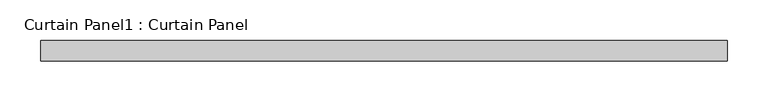
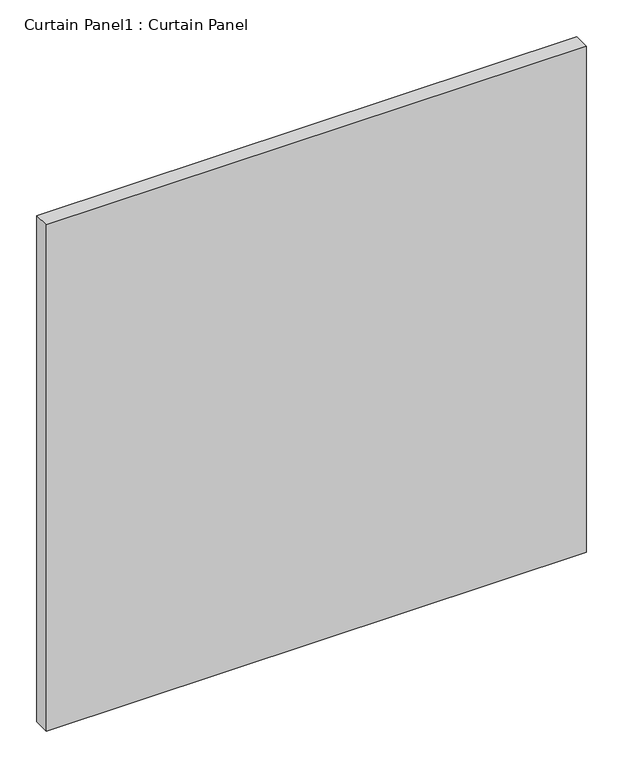
"""IFC4 building model written with IfcOpenShell, lengths in millimetres: plate geometry, Curtain Panel1 : Curtain Panel."""

from ifc_helpers import new_model, si_unit, frame, origin, place, context, project, spatial, polyline, outline, extrude, source, transform, mapped, element, save


def curtain_panel1_curtain_panel_69ac81f1(model_context):
    return source(origin(), model_context, "Body", "SweptSolid", [
        extrude(outline(polyline([(-19224.8572372, 2096.4441321), (-20069.2220141, 2096.4441321), (-20069.2220141, 2121.8441321), (-19224.8572372, 2121.8441321), (-19224.8572372, 2096.4441321)])), frame((0.0, 0.0, 1158.2280374), z_axis=(0.0, 0.0, 1.0), x_axis=(1.0, 0.0, 0.0)), (0.0, 0.0, 1.0), 837.0456924),
    ])


if __name__ == "__main__":
    model = new_model("IFC4")
    model_context = context("Model", 3, world=origin())
    ifc_project = project(units=[si_unit("LENGTHUNIT", "METRE", prefix="MILLI")], contexts=[model_context])
    site = spatial("IfcSite", under=ifc_project)
    building = spatial("IfcBuilding", under=site)
    placement = place(None, origin())
    curtain_panel1_curtain_panel_shape = curtain_panel1_curtain_panel_69ac81f1(model_context)
    element("IfcPlate", 1, ObjectType="Curtain Panel1 : Curtain Panel", at=placement, inside=building, context=model_context, shape_type="MappedRepresentation", body=[
        mapped(curtain_panel1_curtain_panel_shape, transform((0.0, 0.0, 0.0), x_axis=(1.0, 0.0, 0.0), y_axis=(0.0, 1.0, 0.0), z_axis=(0.0, 0.0, 1.0))),
    ])
    save(model, "model.ifc")
